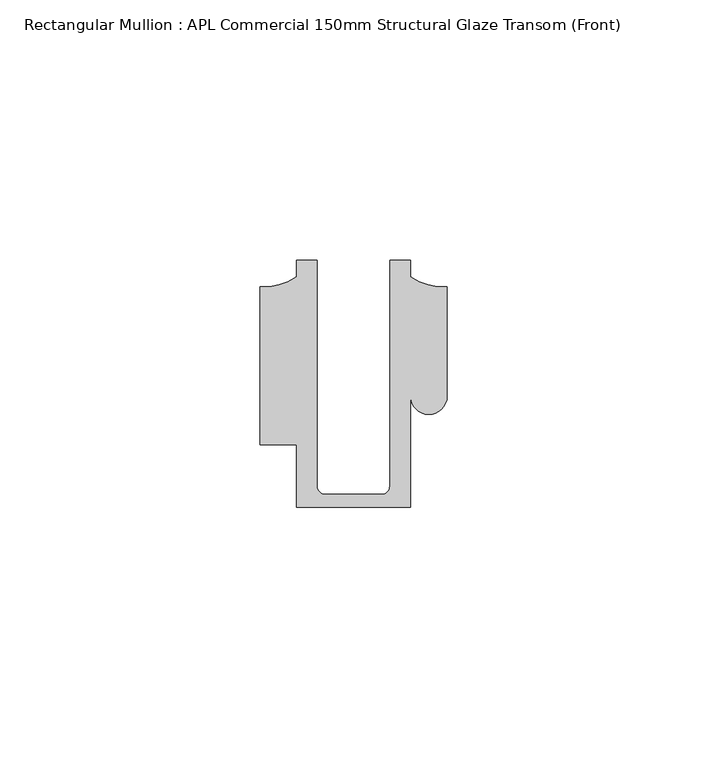
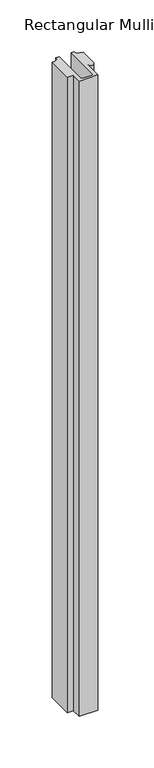
"""IFC4 building model written with IfcOpenShell, lengths in millimetres: member geometry, Rectangular Mullion : APL Commercial 150mm Structural Glaze Transom (Front)."""

import ifcopenshell
import ifcopenshell.guid

model = None  # the IFC model being written
_history = None  # IfcOwnerHistory: only IFC2X3 demands one
_inside = {}  # id of a spatial element -> (the spatial element, [elements in it])
_under = {}  # id of a project, library or spatial element -> (it, [spatial elements below it])
_declared = {}  # id of a project -> (the project, [libraries it declares])
_typed = {}  # id of a type object -> (the type object, [elements of that type])
_made_of = {}  # id of a material, layer set ... -> (it, [elements and type objects made of it])


def new_model(schema):
    """Start an empty IFC model of exactly this schema.

    Asked for "IFC4X3", IfcOpenShell would pick the latest addendum, in which some entities
    have other attributes; the version numbers below select the first issue.
    IFC2X3 requires an IfcOwnerHistory on every rooted entity: one is made here for all.
    """
    global model, _history
    if schema == "IFC4X3":
        model = ifcopenshell.file(schema_version=(4, 3, 0, 0))
    else:
        model = ifcopenshell.file(schema=schema)
    _inside.clear()
    _under.clear()
    _declared.clear()
    _typed.clear()
    _made_of.clear()
    _history = None
    if model.schema == "IFC2X3":
        org = make("IfcOrganization", Name="unknown")
        user = make(
            "IfcPersonAndOrganization",
            ThePerson=make("IfcPerson", FamilyName="unknown"),
            TheOrganization=org,
        )
        app = make(
            "IfcApplication",
            ApplicationDeveloper=org,
            Version="unknown",
            ApplicationFullName="unknown",
            ApplicationIdentifier="unknown",
        )
        _history = make(
            "IfcOwnerHistory",
            OwningUser=user,
            OwningApplication=app,
            ChangeAction="ADDED",
            CreationDate=0,
        )
    return model


def make(cls, **values):
    """One entity of the class cls with the attributes given. An attribute that is None is left unset."""
    return model.create_entity(
        cls, **{name: value for name, value in values.items() if value is not None}
    )


def rooted(cls, **values):
    """An entity with a GlobalId (a new one), such as an element, a storey or a relation."""
    return make(cls, GlobalId=ifcopenshell.guid.new(), OwnerHistory=_history, **values)


def si_unit(unit_type, name, prefix=None):
    """IfcSIUnit, for example si_unit("LENGTHUNIT", "METRE", prefix="MILLI")."""
    return make("IfcSIUnit", UnitType=unit_type, Prefix=prefix, Name=name)


def assignment(units):
    """IfcUnitAssignment: the units of a project."""
    return None if units is None else make("IfcUnitAssignment", Units=units)


def point(xyz):
    """IfcCartesianPoint."""
    return None if xyz is None else make("IfcCartesianPoint", Coordinates=xyz)


def direction(xyz):
    """IfcDirection."""
    return None if xyz is None else make("IfcDirection", DirectionRatios=xyz)


def frame(location, z_axis=None, x_axis=None):
    """IfcAxis2Placement3D, a coordinate frame: its origin and axes. An axis left out is left unset."""
    return make(
        "IfcAxis2Placement3D",
        Location=point(location),
        Axis=direction(z_axis),
        RefDirection=direction(x_axis),
    )


def origin():
    """The frame at (0, 0, 0) with its axes left unset."""
    return frame((0.0, 0.0, 0.0))


def place(relative_to, where):
    """IfcLocalPlacement: puts the frame where relative to a parent placement (None: the world)."""
    return make(
        "IfcLocalPlacement", PlacementRelTo=relative_to, RelativePlacement=where
    )


def context(
    kind, dimensions, precision=None, world=None, true_north=None, identifier=None
):
    """IfcGeometricRepresentationContext, for example the 3D "Model" context."""
    return make(
        "IfcGeometricRepresentationContext",
        ContextIdentifier=identifier,
        ContextType=kind,
        CoordinateSpaceDimension=dimensions,
        Precision=precision,
        WorldCoordinateSystem=world,
        TrueNorth=true_north,
    )


def project(units=None, contexts=None):
    """IfcProject with its units and contexts."""
    return rooted(
        "IfcProject",
        Name="project",
        RepresentationContexts=contexts,
        UnitsInContext=assignment(units),
    )


def spatial(cls, under=None, at=None, **own):
    """A site, building, storey or space (cls), placed at a placement, below another one or the project."""
    s = rooted(cls, ObjectPlacement=at, **own)
    if under is not None:
        _under.setdefault(under.id(), (under, []))[1].append(s)
    return s


def polyline(points):
    """IfcPolyline through the points."""
    return make("IfcPolyline", Points=[point(p) for p in points])


def circle_curve(where, radius):
    """IfcCircle in the frame where."""
    return make("IfcCircle", Position=where, Radius=radius)


def shape(context_of_items, identifier, shape_type, items):
    """IfcShapeRepresentation: the items that make up one representation, for example the "Body"."""
    return make(
        "IfcShapeRepresentation",
        ContextOfItems=context_of_items,
        RepresentationIdentifier=identifier,
        RepresentationType=shape_type,
        Items=items,
    )


def source(mapping_origin, context_of_items, identifier, shape_type, items):
    """IfcRepresentationMap: a shape defined once, which mapped items show again and again."""
    return make(
        "IfcRepresentationMap",
        MappingOrigin=mapping_origin,
        MappedRepresentation=shape(context_of_items, identifier, shape_type, items),
    )


def transform(
    local_origin,
    x_axis=None,
    y_axis=None,
    z_axis=None,
    scale=None,
    scale2=None,
    scale3=None,
    uniform=True,
):
    """IfcCartesianTransformationOperator3D, or its non-uniform kind. x_axis, y_axis, z_axis: its Axis1, 2, 3."""
    if uniform:
        return make(
            "IfcCartesianTransformationOperator3D",
            Axis1=direction(x_axis),
            Axis2=direction(y_axis),
            LocalOrigin=point(local_origin),
            Scale=scale,
            Axis3=direction(z_axis),
        )
    return make(
        "IfcCartesianTransformationOperator3DnonUniform",
        Axis1=direction(x_axis),
        Axis2=direction(y_axis),
        LocalOrigin=point(local_origin),
        Scale=scale,
        Axis3=direction(z_axis),
        Scale2=scale2,
        Scale3=scale3,
    )


def mapped(mapping_source, mapping_target):
    """IfcMappedItem: shows the shape of a source again, moved by a transform."""
    return make(
        "IfcMappedItem", MappingSource=mapping_source, MappingTarget=mapping_target
    )


def made_of(thing, what):
    """Note that an element or type object is made of a material, layer set ...; save() writes the relation."""
    if what is not None:
        _made_of.setdefault(what.id(), (what, []))[1].append(thing)
    return thing


def element(
    cls,
    number,
    at=None,
    inside=None,
    cuts=None,
    type_object=None,
    material=None,
    context=None,
    identifier="Body",
    shape_type=None,
    held_by="IfcProductDefinitionShape",
    body=None,
    shapes=None,
    **own,
):
    """One element of the class cls, such as IfcWall. Its Tag is "e" and its number.

    at: its placement. inside: the storey or other place that contains it. cuts: it is an
    opening in that element (IfcRelVoidsElement). A single representation is given by context,
    identifier, shape_type and body (its items); several are given by shapes. held_by: the class
    of the entity that holds the representations. save() writes the other relations.
    """
    e = rooted(cls, Tag="e%d" % number, ObjectPlacement=at, **own)
    if body is not None:
        shapes = [shape(context, identifier, shape_type, body)]
    if shapes is not None:
        e.Representation = make(held_by, Representations=shapes)
    if inside is not None:
        _inside.setdefault(inside.id(), (inside, []))[1].append(e)
    if cuts is not None:
        rooted(
            "IfcRelVoidsElement", RelatingBuildingElement=cuts, RelatedOpeningElement=e
        )
    if type_object is not None:
        _typed.setdefault(type_object.id(), (type_object, []))[1].append(e)
    return made_of(e, material)


def aggregate(whole, parts):
    """IfcRelAggregates: a whole, such as a stair, and the parts it consists of."""
    return rooted("IfcRelAggregates", RelatingObject=whole, RelatedObjects=parts)


def save(model, path):
    """Write the relations noted so far, then the file.

    IfcRelAggregates (storeys below a building ...), IfcRelContainedInSpatialStructure (elements
    in a storey), IfcRelDefinesByType, IfcRelAssociatesMaterial and IfcRelDeclares: one each for
    every whole, place, type object, material and project.
    """
    for whole, parts in _under.values():
        aggregate(whole, parts)
    for where, things in _inside.values():
        rooted(
            "IfcRelContainedInSpatialStructure",
            RelatedElements=things,
            RelatingStructure=where,
        )
    for kind, things in _typed.values():
        rooted("IfcRelDefinesByType", RelatedObjects=things, RelatingType=kind)
    for what, things in _made_of.values():
        rooted("IfcRelAssociatesMaterial", RelatedObjects=things, RelatingMaterial=what)
    for by, libraries in _declared.values():
        rooted("IfcRelDeclares", RelatingContext=by, RelatedDefinitions=libraries)
    model.write(path)


def plane_surface(at):
    """IfcPlane: the flat surface through the origin of the frame at, square to its z axis."""
    return make("IfcPlane", Position=at)


def cylinder_surface(at, radius):
    """IfcCylindricalSurface: all points at the distance radius from the z axis of the frame at."""
    return make("IfcCylindricalSurface", Position=at, Radius=radius)


def revolved_surface(curve, axis_point, axis_direction):
    """IfcSurfaceOfRevolution: the curve turned about the line through axis_point along axis_direction."""
    return make(
        "IfcSurfaceOfRevolution",
        SweptCurve=make("IfcArbitraryOpenProfileDef", ProfileType="CURVE", Curve=curve),
        AxisPosition=make("IfcAxis1Placement", Location=point(axis_point), Axis=direction(axis_direction)),
    )


def advanced_brep(points, edges, surfaces, faces):
    """IfcAdvancedBrep: a solid bounded by faces that lie on surfaces and meet in shared edges.

    An edge is (start, end): straight between two places in points (the first is 0);
    or (start, end, curve); or (start, end, curve, False) where it runs against its curve.
    A face is (place in surfaces, loops), or (place, loops, False) where it looks against
    its surface's normal. A loop lists edges by number (the first is 1), with a minus sign
    where the edge is run from its end to its start. The first loop is the outer one.
    """
    corners = [point(p) for p in points]
    vertices = [make("IfcVertexPoint", VertexGeometry=c) for c in corners]
    made = []
    for start, end, *more in edges:
        made.append(
            make(
                "IfcEdgeCurve",
                EdgeStart=vertices[start],
                EdgeEnd=vertices[end],
                EdgeGeometry=more[0] if more else make("IfcPolyline", Points=[corners[start], corners[end]]),
                SameSense=more[1] if len(more) > 1 else True,
            )
        )
    hull = []
    for where, loops, *sense in faces:
        bounds = []
        for j, loop in enumerate(loops):
            ring = [make("IfcOrientedEdge", EdgeElement=made[abs(k) - 1], Orientation=k > 0) for k in loop]
            bounds.append(
                make(
                    "IfcFaceOuterBound" if j == 0 else "IfcFaceBound",
                    Bound=make("IfcEdgeLoop", EdgeList=ring),
                    Orientation=True,
                )
            )
        hull.append(make("IfcAdvancedFace", Bounds=bounds, FaceSurface=surfaces[where], SameSense=sense[0] if sense else True))
    return make("IfcAdvancedBrep", Outer=make("IfcClosedShell", CfsFaces=hull))


def rectangular_mullion_apl_commercial_150mm_structural_glaze_10456dfb(model_context):
    return source(origin(), model_context, "Body", "AdvancedBrep", [
        advanced_brep(
        [(-11.0000151, -27.0, 0.0), (11.001071, -27.0, 0.0), (11.001071, -5.5848769, 0.0), (17.9999091, -5.6750512, 0.0), (17.9999542, 15.3797475, 0.0), (11.0000151, 17.3125212, 0.0), (11.0000151, 20.5, 0.0), (6.9999849, 20.5, 0.0), (6.9999849, -22.9973451, 0.0), (5.4999872, -24.5, 0.0), (-5.4999873, -24.5, 0.0), (-6.9999853, -22.9976091, 0.0), (-6.9999853, 20.5, 0.0), (-10.9999994, 20.5, 0.0), (-10.9999994, 17.3125325, 0.0), (-17.9999542, 15.3797475, 0.0), (-17.9999542, -15.0006281, 0.0), (-11.0000151, -15.0006281, 0.0), (-11.0000151, -27.0, -782.3816345), (-11.0000151, -15.0006281, -782.3816345), (-17.9999542, -15.0006281, -782.3816345), (-17.9999542, 15.3797475, -782.3816345), (-10.9999994, 17.3125325, -782.3816345), (-10.9999994, 20.5, -782.3816345), (-6.9999853, 20.5, -782.3816345), (-6.9999853, -22.9976091, -782.3816345), (-5.4999873, -24.5, -782.3816345), (5.4999872, -24.5, -782.3816345), (6.9999849, -22.9973451, -782.3816345), (6.9999849, 20.5, -782.3816345), (11.0000151, 20.5, -782.3816345), (11.0000151, 17.3125212, -782.3816345), (17.9999542, 15.3797475, -782.3816345), (17.9999542, -5.684606, -782.3816345), (11.001071, -5.5848769, -782.3816345), (11.001071, -27.0, -782.3816345)],
        [
            (0, 1),
            (1, 2),
            (2, 3, circle_curve(frame((14.4999091, -5.6750512, 0.0), z_axis=(0.0, 0.0, 1.0), x_axis=(-0.9999826028573957, 0.005898642432633649, 0.0)), 3.5)),
            (3, 4),
            (4, 5, circle_curve(frame((17.109817, 25.7981812, 0.0), z_axis=(0.0, 0.0, -1.0), x_axis=(0.0, -1.0, 0.0)), 10.4563907)),
            (5, 6),
            (6, 7),
            (7, 8),
            (8, 9, circle_curve(frame((5.4999872, -23.0, 0.0), z_axis=(0.0, 0.0, -1.0), x_axis=(0.9999999999999986, 5.463622857820516e-08, 0.0)), 1.5)),
            (9, 10),
            (10, 11, circle_curve(frame((-5.4999873, -23.0, 0.0), z_axis=(0.0, 0.0, -1.0), x_axis=(2.7320010112268853e-08, -0.9999999999999997, 0.0)), 1.5)),
            (11, 12),
            (12, 13),
            (13, 14),
            (14, 15, circle_curve(frame((-17.109817, 25.7981812, 0.0), z_axis=(0.0, 0.0, -1.0), x_axis=(0.0, -1.0, 0.0)), 10.4563907)),
            (15, 16),
            (16, 17),
            (17, 0),
            (18, 19),
            (19, 20),
            (20, 21),
            (21, 22, circle_curve(frame((-17.109817, 25.7981812, -782.3816345), z_axis=(0.0, 0.0, 1.0), x_axis=(0.0, -1.0, 0.0)), 10.4563907)),
            (22, 23),
            (23, 24),
            (24, 25),
            (25, 26, circle_curve(frame((-5.4999873, -23.0, -782.3816345), z_axis=(0.0, 0.0, 1.0), x_axis=(2.7320010112268853e-08, -0.9999999999999997, 0.0)), 1.5)),
            (26, 27),
            (27, 28, circle_curve(frame((5.4999872, -23.0, -782.3816345), z_axis=(0.0, 0.0, 1.0), x_axis=(0.9999999999999986, 5.463622857820516e-08, 0.0)), 1.5)),
            (28, 29),
            (29, 30),
            (30, 31),
            (31, 32, circle_curve(frame((17.109817, 25.7981812, -782.3816345), z_axis=(0.0, 0.0, 1.0), x_axis=(0.0, -1.0, 0.0)), 10.4563907)),
            (32, 33),
            (33, 34, circle_curve(frame((14.4999091, -5.6750512, -782.3816345), z_axis=(0.0, 0.0, -1.0), x_axis=(-0.9999826028573957, 0.005898642432633649, 0.0)), 3.5)),
            (34, 35),
            (35, 18),
            (0, 18),
            (35, 1),
            (34, 2),
            (33, 3),
            (32, 4),
            (31, 5),
            (30, 6),
            (29, 7),
            (28, 8),
            (27, 9),
            (26, 10),
            (25, 11),
            (24, 12),
            (23, 13),
            (22, 14),
            (21, 15),
            (20, 16),
            (19, 17),
        ],
        [
            plane_surface(frame((0.0, -29.1551636, 0.0), z_axis=(0.0, 0.0, 1.0), x_axis=(-1.0, 0.0, 0.0))),
            plane_surface(frame((0.0, -29.1551636, -782.3816345), z_axis=(0.0, 0.0, -1.0), x_axis=(-1.0, 0.0, 0.0))),
            plane_surface(frame((-11.0000151, -27.0, 0.0), z_axis=(0.0, -1.0, 0.0), x_axis=(0.0, 0.0, -1.0))),
            plane_surface(frame((11.001071, -27.0, 0.0), z_axis=(1.0, 0.0, 0.0), x_axis=(0.0, 0.0, -1.0))),
            cylinder_surface(frame((14.4999091, -5.6750512, 0.0), z_axis=(0.0, 0.0, 1.0), x_axis=(-0.9999826028573957, 0.005898642432633649, 0.0)), 3.5),
            plane_surface(frame((17.9999542, -5.684606, 0.0), z_axis=(1.0, 0.0, 0.0), x_axis=(0.0, 0.0, -1.0))),
            revolved_surface(polyline([(17.109817, 15.341790499999998, -782.3816345), (17.109817, 15.341790499999998, 0.0)]), (17.109817, 25.7981812, 0.0), (0.0, 0.0, -1.0)),
            plane_surface(frame((11.0000151, 17.3125212, 0.0), z_axis=(1.0, 0.0, 0.0), x_axis=(0.0, 0.0, -1.0))),
            plane_surface(frame((11.0000151, 20.5, 0.0), z_axis=(0.0, 1.0, 0.0), x_axis=(0.0, 0.0, -1.0))),
            plane_surface(frame((6.9999849, 20.5, 0.0), z_axis=(-1.0, 0.0, 0.0), x_axis=(0.0, 0.0, -1.0))),
            revolved_surface(polyline([(6.999987199999998, -22.999999918045656, -782.3816345), (6.999987199999998, -22.999999918045656, 0.0)]), (5.4999872, -23.0, 0.0), (0.0, 0.0, -1.0)),
            plane_surface(frame((5.4999872, -24.5, 0.0), z_axis=(0.0, 1.0, 0.0), x_axis=(0.0, 0.0, -1.0))),
            revolved_surface(polyline([(-5.499987259019985, -24.5, -782.3816345), (-5.499987259019985, -24.5, 0.0)]), (-5.4999873, -23.0, 0.0), (0.0, 0.0, -1.0)),
            plane_surface(frame((-6.9999853, -22.9976091, 0.0), z_axis=(1.0, 0.0, 0.0), x_axis=(0.0, 0.0, -1.0))),
            plane_surface(frame((-6.9999853, 20.5, 0.0), z_axis=(0.0, 1.0, 0.0), x_axis=(0.0, 0.0, -1.0))),
            plane_surface(frame((-10.9999994, 20.5, 0.0), z_axis=(-1.0, 0.0, 0.0), x_axis=(0.0, 0.0, -1.0))),
            revolved_surface(polyline([(-17.109817, 15.341790499999998, -782.3816345), (-17.109817, 15.341790499999998, 0.0)]), (-17.109817, 25.7981812, 0.0), (0.0, 0.0, -1.0)),
            plane_surface(frame((-17.9999542, 15.3797475, 0.0), z_axis=(-1.0, 0.0, 0.0), x_axis=(0.0, 0.0, -1.0))),
            plane_surface(frame((-17.9999542, -15.0006281, 0.0), z_axis=(0.0, -1.0, 0.0), x_axis=(0.0, 0.0, -1.0))),
            plane_surface(frame((-11.0000151, -15.0006281, 0.0), z_axis=(-1.0, 0.0, 0.0), x_axis=(0.0, 0.0, -1.0))),
        ],
        [
            (0, [[1, 2, 3, 4, 5, 6, 7, 8, 9, 10, 11, 12, 13, 14, 15, 16, 17, 18]]),
            (1, [[19, 20, 21, 22, 23, 24, 25, 26, 27, 28, 29, 30, 31, 32, 33, 34, 35, 36]]),
            (2, [[-1, 37, -36, 38]]),
            (3, [[-2, -38, -35, 39]]),
            (4, [[-3, -39, -34, 40]]),
            (5, [[-4, -40, -33, 41]]),
            (6, [[-5, -41, -32, 42]]),
            (7, [[-6, -42, -31, 43]]),
            (8, [[-7, -43, -30, 44]]),
            (9, [[-8, -44, -29, 45]]),
            (10, [[-9, -45, -28, 46]]),
            (11, [[-10, -46, -27, 47]]),
            (12, [[-11, -47, -26, 48]]),
            (13, [[-12, -48, -25, 49]]),
            (14, [[-13, -49, -24, 50]]),
            (15, [[-14, -50, -23, 51]]),
            (16, [[-15, -51, -22, 52]]),
            (17, [[-16, -52, -21, 53]]),
            (18, [[-17, -53, -20, 54]]),
            (19, [[-18, -54, -19, -37]]),
        ],
    ),
    ])


if __name__ == "__main__":
    model = new_model("IFC4")
    model_context = context("Model", 3, world=origin())
    ifc_project = project(units=[si_unit("LENGTHUNIT", "METRE", prefix="MILLI")], contexts=[model_context])
    site = spatial("IfcSite", under=ifc_project)
    building = spatial("IfcBuilding", under=site)
    placement = place(None, origin())
    rectangular_mullion_apl_commercial_150mm_structural_glaze_shape = rectangular_mullion_apl_commercial_150mm_structural_glaze_10456dfb(model_context)
    element("IfcMember", 1, ObjectType="Rectangular Mullion : APL Commercial 150mm Structural Glaze Transom (Front)", at=placement, inside=building, context=model_context, shape_type="MappedRepresentation", body=[
        mapped(rectangular_mullion_apl_commercial_150mm_structural_glaze_shape, transform((0.0, 0.0, 0.0), x_axis=(1.0, 0.0, 0.0), y_axis=(0.0, 1.0, 0.0), z_axis=(0.0, 0.0, 1.0))),
    ])
    save(model, "model.ifc")
